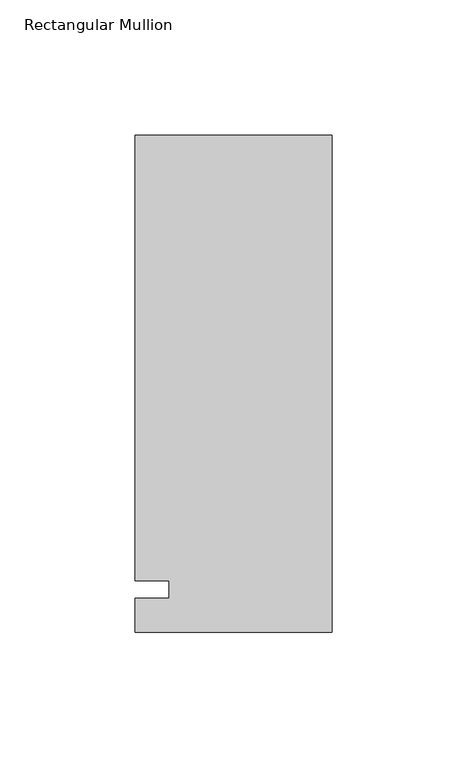
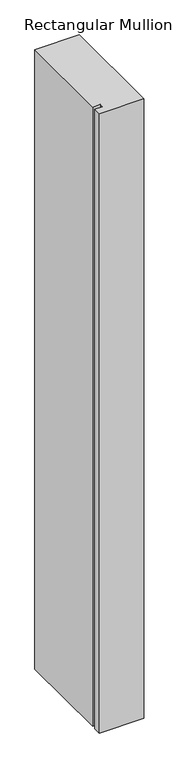
"""IFC4 building model written with IfcOpenShell, lengths in millimetres: member geometry, Rectangular Mullion."""

from ifc_helpers import new_model, si_unit, frame, origin, place, context, project, spatial, polyline, outline, extrude, source, transform, mapped, element, save


def rectangular_mullion_46c8c5e7(model_context):
    return source(origin(), model_context, "Body", "SweptSolid", [
        extrude(outline(polyline([(-73.025, 168.275), (0.0, 168.275), (0.0, -15.875), (-73.025, -15.875), (-73.025, -3.175), (-60.325, -3.175), (-60.325, 3.175), (-73.025, 3.175), (-73.025, 168.275)])), frame((0.0, 0.0, -1080.6594027), z_axis=(0.0, 0.0, 1.0), x_axis=(1.0, 0.0, 0.0)), (0.0, 0.0, 1.0), 1080.6594027),
    ])


if __name__ == "__main__":
    model = new_model("IFC4")
    model_context = context("Model", 3, world=origin())
    ifc_project = project(units=[si_unit("LENGTHUNIT", "METRE", prefix="MILLI")], contexts=[model_context])
    site = spatial("IfcSite", under=ifc_project)
    building = spatial("IfcBuilding", under=site)
    placement = place(None, origin())
    rectangular_mullion_shape = rectangular_mullion_46c8c5e7(model_context)
    element("IfcMember", 1, ObjectType="Rectangular Mullion", at=placement, inside=building, context=model_context, shape_type="MappedRepresentation", body=[
        mapped(rectangular_mullion_shape, transform((0.0, 0.0, 0.0), x_axis=(1.0, 0.0, 0.0), y_axis=(0.0, 1.0, 0.0), z_axis=(0.0, 0.0, 1.0))),
    ])
    save(model, "model.ifc")
